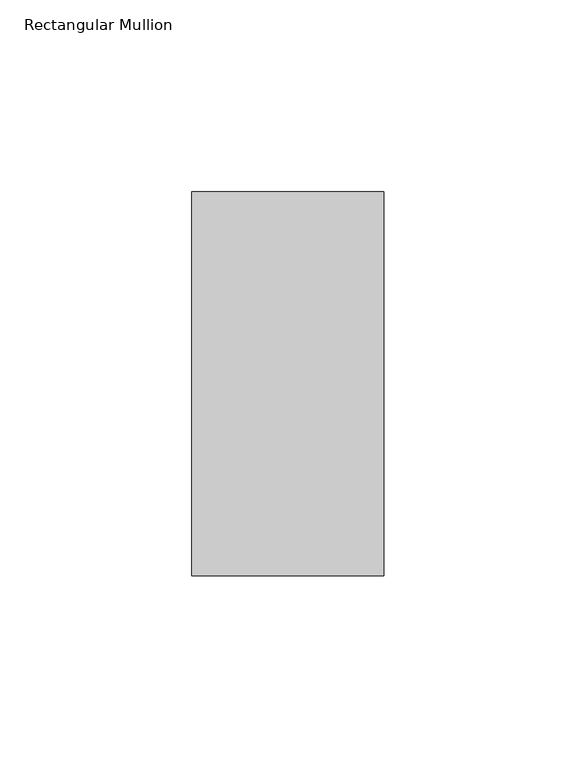
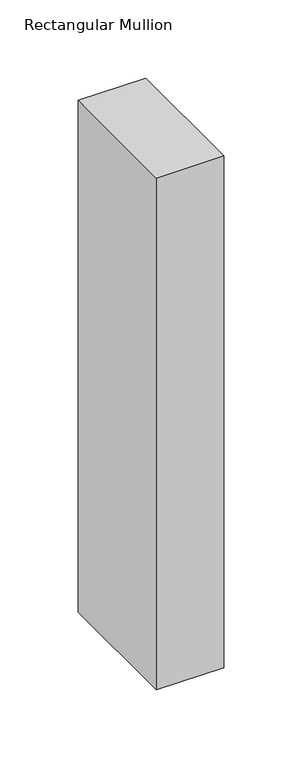
"""IFC4 building model written with IfcOpenShell, lengths in millimetres: member geometry, Rectangular Mullion."""

import ifcopenshell
import ifcopenshell.guid

model = None  # the IFC model being written
_history = None  # IfcOwnerHistory: only IFC2X3 demands one
_inside = {}  # id of a spatial element -> (the spatial element, [elements in it])
_under = {}  # id of a project, library or spatial element -> (it, [spatial elements below it])
_declared = {}  # id of a project -> (the project, [libraries it declares])
_typed = {}  # id of a type object -> (the type object, [elements of that type])
_made_of = {}  # id of a material, layer set ... -> (it, [elements and type objects made of it])


def new_model(schema):
    """Start an empty IFC model of exactly this schema.

    Asked for "IFC4X3", IfcOpenShell would pick the latest addendum, in which some entities
    have other attributes; the version numbers below select the first issue.
    IFC2X3 requires an IfcOwnerHistory on every rooted entity: one is made here for all.
    """
    global model, _history
    if schema == "IFC4X3":
        model = ifcopenshell.file(schema_version=(4, 3, 0, 0))
    else:
        model = ifcopenshell.file(schema=schema)
    _inside.clear()
    _under.clear()
    _declared.clear()
    _typed.clear()
    _made_of.clear()
    _history = None
    if model.schema == "IFC2X3":
        org = make("IfcOrganization", Name="unknown")
        user = make(
            "IfcPersonAndOrganization",
            ThePerson=make("IfcPerson", FamilyName="unknown"),
            TheOrganization=org,
        )
        app = make(
            "IfcApplication",
            ApplicationDeveloper=org,
            Version="unknown",
            ApplicationFullName="unknown",
            ApplicationIdentifier="unknown",
        )
        _history = make(
            "IfcOwnerHistory",
            OwningUser=user,
            OwningApplication=app,
            ChangeAction="ADDED",
            CreationDate=0,
        )
    return model


def make(cls, **values):
    """One entity of the class cls with the attributes given. An attribute that is None is left unset."""
    return model.create_entity(
        cls, **{name: value for name, value in values.items() if value is not None}
    )


def rooted(cls, **values):
    """An entity with a GlobalId (a new one), such as an element, a storey or a relation."""
    return make(cls, GlobalId=ifcopenshell.guid.new(), OwnerHistory=_history, **values)


def si_unit(unit_type, name, prefix=None):
    """IfcSIUnit, for example si_unit("LENGTHUNIT", "METRE", prefix="MILLI")."""
    return make("IfcSIUnit", UnitType=unit_type, Prefix=prefix, Name=name)


def assignment(units):
    """IfcUnitAssignment: the units of a project."""
    return None if units is None else make("IfcUnitAssignment", Units=units)


def point(xyz):
    """IfcCartesianPoint."""
    return None if xyz is None else make("IfcCartesianPoint", Coordinates=xyz)


def direction(xyz):
    """IfcDirection."""
    return None if xyz is None else make("IfcDirection", DirectionRatios=xyz)


def frame(location, z_axis=None, x_axis=None):
    """IfcAxis2Placement3D, a coordinate frame: its origin and axes. An axis left out is left unset."""
    return make(
        "IfcAxis2Placement3D",
        Location=point(location),
        Axis=direction(z_axis),
        RefDirection=direction(x_axis),
    )


def origin():
    """The frame at (0, 0, 0) with its axes left unset."""
    return frame((0.0, 0.0, 0.0))


def place(relative_to, where):
    """IfcLocalPlacement: puts the frame where relative to a parent placement (None: the world)."""
    return make(
        "IfcLocalPlacement", PlacementRelTo=relative_to, RelativePlacement=where
    )


def context(
    kind, dimensions, precision=None, world=None, true_north=None, identifier=None
):
    """IfcGeometricRepresentationContext, for example the 3D "Model" context."""
    return make(
        "IfcGeometricRepresentationContext",
        ContextIdentifier=identifier,
        ContextType=kind,
        CoordinateSpaceDimension=dimensions,
        Precision=precision,
        WorldCoordinateSystem=world,
        TrueNorth=true_north,
    )


def project(units=None, contexts=None):
    """IfcProject with its units and contexts."""
    return rooted(
        "IfcProject",
        Name="project",
        RepresentationContexts=contexts,
        UnitsInContext=assignment(units),
    )


def spatial(cls, under=None, at=None, **own):
    """A site, building, storey or space (cls), placed at a placement, below another one or the project."""
    s = rooted(cls, ObjectPlacement=at, **own)
    if under is not None:
        _under.setdefault(under.id(), (under, []))[1].append(s)
    return s


def polyline(points):
    """IfcPolyline through the points."""
    return make("IfcPolyline", Points=[point(p) for p in points])


def outline(outer, holes=None, kind="AREA"):
    """IfcArbitraryClosedProfileDef: a profile drawn as a closed curve; with holes, ...WithVoids."""
    if holes is None:
        return make("IfcArbitraryClosedProfileDef", ProfileType=kind, OuterCurve=outer)
    return make(
        "IfcArbitraryProfileDefWithVoids",
        ProfileType=kind,
        OuterCurve=outer,
        InnerCurves=holes,
    )


def extrude(swept, where, along, depth):
    """IfcExtrudedAreaSolid: the profile swept, set in the frame where, extruded along a direction by depth."""
    return make(
        "IfcExtrudedAreaSolid",
        SweptArea=swept,
        Position=where,
        ExtrudedDirection=direction(along),
        Depth=depth,
    )


def shape(context_of_items, identifier, shape_type, items):
    """IfcShapeRepresentation: the items that make up one representation, for example the "Body"."""
    return make(
        "IfcShapeRepresentation",
        ContextOfItems=context_of_items,
        RepresentationIdentifier=identifier,
        RepresentationType=shape_type,
        Items=items,
    )


def source(mapping_origin, context_of_items, identifier, shape_type, items):
    """IfcRepresentationMap: a shape defined once, which mapped items show again and again."""
    return make(
        "IfcRepresentationMap",
        MappingOrigin=mapping_origin,
        MappedRepresentation=shape(context_of_items, identifier, shape_type, items),
    )


def transform(
    local_origin,
    x_axis=None,
    y_axis=None,
    z_axis=None,
    scale=None,
    scale2=None,
    scale3=None,
    uniform=True,
):
    """IfcCartesianTransformationOperator3D, or its non-uniform kind. x_axis, y_axis, z_axis: its Axis1, 2, 3."""
    if uniform:
        return make(
            "IfcCartesianTransformationOperator3D",
            Axis1=direction(x_axis),
            Axis2=direction(y_axis),
            LocalOrigin=point(local_origin),
            Scale=scale,
            Axis3=direction(z_axis),
        )
    return make(
        "IfcCartesianTransformationOperator3DnonUniform",
        Axis1=direction(x_axis),
        Axis2=direction(y_axis),
        LocalOrigin=point(local_origin),
        Scale=scale,
        Axis3=direction(z_axis),
        Scale2=scale2,
        Scale3=scale3,
    )


def mapped(mapping_source, mapping_target):
    """IfcMappedItem: shows the shape of a source again, moved by a transform."""
    return make(
        "IfcMappedItem", MappingSource=mapping_source, MappingTarget=mapping_target
    )


def made_of(thing, what):
    """Note that an element or type object is made of a material, layer set ...; save() writes the relation."""
    if what is not None:
        _made_of.setdefault(what.id(), (what, []))[1].append(thing)
    return thing


def element(
    cls,
    number,
    at=None,
    inside=None,
    cuts=None,
    type_object=None,
    material=None,
    context=None,
    identifier="Body",
    shape_type=None,
    held_by="IfcProductDefinitionShape",
    body=None,
    shapes=None,
    **own,
):
    """One element of the class cls, such as IfcWall. Its Tag is "e" and its number.

    at: its placement. inside: the storey or other place that contains it. cuts: it is an
    opening in that element (IfcRelVoidsElement). A single representation is given by context,
    identifier, shape_type and body (its items); several are given by shapes. held_by: the class
    of the entity that holds the representations. save() writes the other relations.
    """
    e = rooted(cls, Tag="e%d" % number, ObjectPlacement=at, **own)
    if body is not None:
        shapes = [shape(context, identifier, shape_type, body)]
    if shapes is not None:
        e.Representation = make(held_by, Representations=shapes)
    if inside is not None:
        _inside.setdefault(inside.id(), (inside, []))[1].append(e)
    if cuts is not None:
        rooted(
            "IfcRelVoidsElement", RelatingBuildingElement=cuts, RelatedOpeningElement=e
        )
    if type_object is not None:
        _typed.setdefault(type_object.id(), (type_object, []))[1].append(e)
    return made_of(e, material)


def aggregate(whole, parts):
    """IfcRelAggregates: a whole, such as a stair, and the parts it consists of."""
    return rooted("IfcRelAggregates", RelatingObject=whole, RelatedObjects=parts)


def save(model, path):
    """Write the relations noted so far, then the file.

    IfcRelAggregates (storeys below a building ...), IfcRelContainedInSpatialStructure (elements
    in a storey), IfcRelDefinesByType, IfcRelAssociatesMaterial and IfcRelDeclares: one each for
    every whole, place, type object, material and project.
    """
    for whole, parts in _under.values():
        aggregate(whole, parts)
    for where, things in _inside.values():
        rooted(
            "IfcRelContainedInSpatialStructure",
            RelatedElements=things,
            RelatingStructure=where,
        )
    for kind, things in _typed.values():
        rooted("IfcRelDefinesByType", RelatedObjects=things, RelatingType=kind)
    for what, things in _made_of.values():
        rooted("IfcRelAssociatesMaterial", RelatedObjects=things, RelatingMaterial=what)
    for by, libraries in _declared.values():
        rooted("IfcRelDeclares", RelatingContext=by, RelatedDefinitions=libraries)
    model.write(path)


def rectangular_mullion_89c59742(model_context):
    return source(origin(), model_context, "Body", "SweptSolid", [
        extrude(outline(polyline([(0.0, 31.0), (0.0, -69.0), (-50.0, -69.0), (-50.0, 31.0), (0.0, 31.0)])), frame((0.0, 0.0, -400.0), z_axis=(0.0, 0.0, 1.0), x_axis=(1.0, 0.0, 0.0)), (0.0, 0.0, 1.0), 400.0),
    ])


if __name__ == "__main__":
    model = new_model("IFC4")
    model_context = context("Model", 3, world=origin())
    ifc_project = project(units=[si_unit("LENGTHUNIT", "METRE", prefix="MILLI")], contexts=[model_context])
    site = spatial("IfcSite", under=ifc_project)
    building = spatial("IfcBuilding", under=site)
    placement = place(None, origin())
    rectangular_mullion_shape = rectangular_mullion_89c59742(model_context)
    element("IfcMember", 1, ObjectType="Rectangular Mullion", at=placement, inside=building, context=model_context, shape_type="MappedRepresentation", body=[
        mapped(rectangular_mullion_shape, transform((0.0, 0.0, 0.0), x_axis=(1.0, 0.0, 0.0), y_axis=(0.0, 1.0, 0.0), z_axis=(0.0, 0.0, 1.0))),
    ])
    save(model, "model.ifc")
